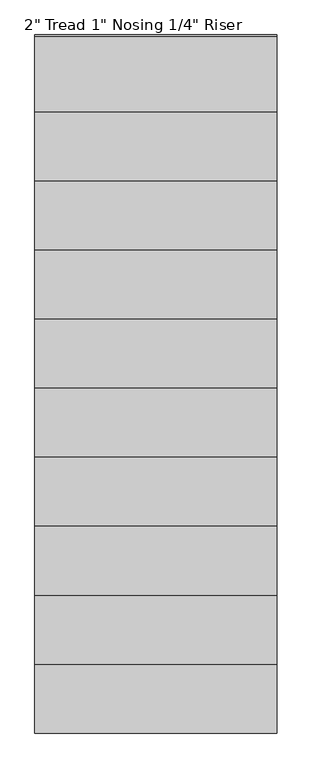
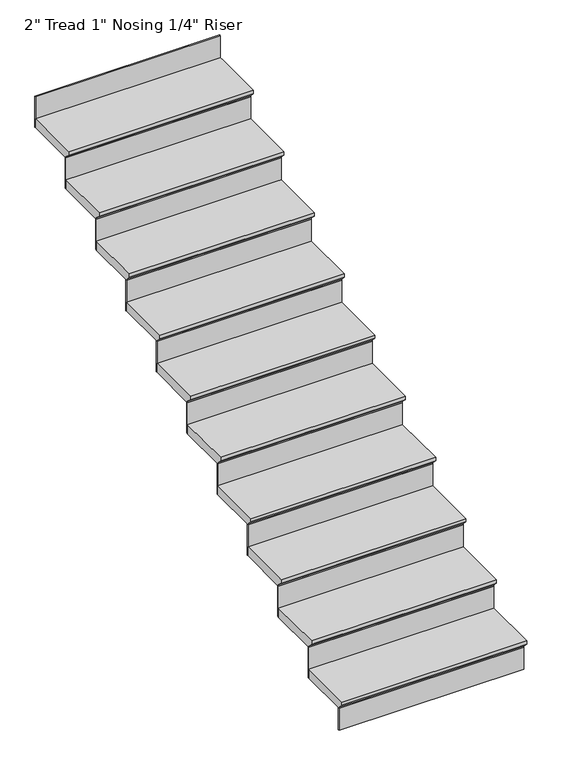
"""IFC4 building model written with IfcOpenShell, lengths in millimetres: stair flight geometry."""

import ifcopenshell
import ifcopenshell.guid

model = None  # the IFC model being written
_history = None  # IfcOwnerHistory: only IFC2X3 demands one
_inside = {}  # id of a spatial element -> (the spatial element, [elements in it])
_under = {}  # id of a project, library or spatial element -> (it, [spatial elements below it])
_declared = {}  # id of a project -> (the project, [libraries it declares])
_typed = {}  # id of a type object -> (the type object, [elements of that type])
_made_of = {}  # id of a material, layer set ... -> (it, [elements and type objects made of it])


def new_model(schema):
    """Start an empty IFC model of exactly this schema.

    Asked for "IFC4X3", IfcOpenShell would pick the latest addendum, in which some entities
    have other attributes; the version numbers below select the first issue.
    IFC2X3 requires an IfcOwnerHistory on every rooted entity: one is made here for all.
    """
    global model, _history
    if schema == "IFC4X3":
        model = ifcopenshell.file(schema_version=(4, 3, 0, 0))
    else:
        model = ifcopenshell.file(schema=schema)
    _inside.clear()
    _under.clear()
    _declared.clear()
    _typed.clear()
    _made_of.clear()
    _history = None
    if model.schema == "IFC2X3":
        org = make("IfcOrganization", Name="unknown")
        user = make(
            "IfcPersonAndOrganization",
            ThePerson=make("IfcPerson", FamilyName="unknown"),
            TheOrganization=org,
        )
        app = make(
            "IfcApplication",
            ApplicationDeveloper=org,
            Version="unknown",
            ApplicationFullName="unknown",
            ApplicationIdentifier="unknown",
        )
        _history = make(
            "IfcOwnerHistory",
            OwningUser=user,
            OwningApplication=app,
            ChangeAction="ADDED",
            CreationDate=0,
        )
    return model


def make(cls, **values):
    """One entity of the class cls with the attributes given. An attribute that is None is left unset."""
    return model.create_entity(
        cls, **{name: value for name, value in values.items() if value is not None}
    )


def rooted(cls, **values):
    """An entity with a GlobalId (a new one), such as an element, a storey or a relation."""
    return make(cls, GlobalId=ifcopenshell.guid.new(), OwnerHistory=_history, **values)


def si_unit(unit_type, name, prefix=None):
    """IfcSIUnit, for example si_unit("LENGTHUNIT", "METRE", prefix="MILLI")."""
    return make("IfcSIUnit", UnitType=unit_type, Prefix=prefix, Name=name)


def assignment(units):
    """IfcUnitAssignment: the units of a project."""
    return None if units is None else make("IfcUnitAssignment", Units=units)


def point(xyz):
    """IfcCartesianPoint."""
    return None if xyz is None else make("IfcCartesianPoint", Coordinates=xyz)


def direction(xyz):
    """IfcDirection."""
    return None if xyz is None else make("IfcDirection", DirectionRatios=xyz)


def frame(location, z_axis=None, x_axis=None):
    """IfcAxis2Placement3D, a coordinate frame: its origin and axes. An axis left out is left unset."""
    return make(
        "IfcAxis2Placement3D",
        Location=point(location),
        Axis=direction(z_axis),
        RefDirection=direction(x_axis),
    )


def origin():
    """The frame at (0, 0, 0) with its axes left unset."""
    return frame((0.0, 0.0, 0.0))


def place(relative_to, where):
    """IfcLocalPlacement: puts the frame where relative to a parent placement (None: the world)."""
    return make(
        "IfcLocalPlacement", PlacementRelTo=relative_to, RelativePlacement=where
    )


def context(
    kind, dimensions, precision=None, world=None, true_north=None, identifier=None
):
    """IfcGeometricRepresentationContext, for example the 3D "Model" context."""
    return make(
        "IfcGeometricRepresentationContext",
        ContextIdentifier=identifier,
        ContextType=kind,
        CoordinateSpaceDimension=dimensions,
        Precision=precision,
        WorldCoordinateSystem=world,
        TrueNorth=true_north,
    )


def project(units=None, contexts=None):
    """IfcProject with its units and contexts."""
    return rooted(
        "IfcProject",
        Name="project",
        RepresentationContexts=contexts,
        UnitsInContext=assignment(units),
    )


def spatial(cls, under=None, at=None, **own):
    """A site, building, storey or space (cls), placed at a placement, below another one or the project."""
    s = rooted(cls, ObjectPlacement=at, **own)
    if under is not None:
        _under.setdefault(under.id(), (under, []))[1].append(s)
    return s


def faces_of(points, faces, orient=None, outer=None):
    """IfcFace entities. A face is a list of loops; a loop is a list of indices into points, from 0.

    orient and outer hold one flag for each loop. By default every Orientation is true, the
    first loop of a face is its IfcFaceOuterBound and the others are IfcFaceBound.
    """
    made = []
    for i, loops in enumerate(faces):
        bounds = []
        for j, loop in enumerate(loops):
            is_outer = j == 0 if outer is None else outer[i][j]
            bounds.append(
                make(
                    "IfcFaceOuterBound" if is_outer else "IfcFaceBound",
                    Bound=make("IfcPolyLoop", Polygon=[points[k] for k in loop]),
                    Orientation=True if orient is None else orient[i][j],
                )
            )
        made.append(make("IfcFace", Bounds=bounds))
    return made


def faceted_brep(points, faces, orient=None, outer=None, voids=None):
    """IfcFacetedBrep: a solid bounded by flat faces; with voids (closed shells), ...WithVoids."""
    shared = [point(p) for p in points]
    hull = make("IfcClosedShell", CfsFaces=faces_of(shared, faces, orient, outer))
    if voids is None:
        return make("IfcFacetedBrep", Outer=hull)
    return make(
        "IfcFacetedBrepWithVoids",
        Outer=hull,
        Voids=[
            make(cls, CfsFaces=faces_of(shared, fs, o, b)) for cls, fs, o, b in voids
        ],
    )


def shape(context_of_items, identifier, shape_type, items):
    """IfcShapeRepresentation: the items that make up one representation, for example the "Body"."""
    return make(
        "IfcShapeRepresentation",
        ContextOfItems=context_of_items,
        RepresentationIdentifier=identifier,
        RepresentationType=shape_type,
        Items=items,
    )


def source(mapping_origin, context_of_items, identifier, shape_type, items):
    """IfcRepresentationMap: a shape defined once, which mapped items show again and again."""
    return make(
        "IfcRepresentationMap",
        MappingOrigin=mapping_origin,
        MappedRepresentation=shape(context_of_items, identifier, shape_type, items),
    )


def transform(
    local_origin,
    x_axis=None,
    y_axis=None,
    z_axis=None,
    scale=None,
    scale2=None,
    scale3=None,
    uniform=True,
):
    """IfcCartesianTransformationOperator3D, or its non-uniform kind. x_axis, y_axis, z_axis: its Axis1, 2, 3."""
    if uniform:
        return make(
            "IfcCartesianTransformationOperator3D",
            Axis1=direction(x_axis),
            Axis2=direction(y_axis),
            LocalOrigin=point(local_origin),
            Scale=scale,
            Axis3=direction(z_axis),
        )
    return make(
        "IfcCartesianTransformationOperator3DnonUniform",
        Axis1=direction(x_axis),
        Axis2=direction(y_axis),
        LocalOrigin=point(local_origin),
        Scale=scale,
        Axis3=direction(z_axis),
        Scale2=scale2,
        Scale3=scale3,
    )


def mapped(mapping_source, mapping_target):
    """IfcMappedItem: shows the shape of a source again, moved by a transform."""
    return make(
        "IfcMappedItem", MappingSource=mapping_source, MappingTarget=mapping_target
    )


def made_of(thing, what):
    """Note that an element or type object is made of a material, layer set ...; save() writes the relation."""
    if what is not None:
        _made_of.setdefault(what.id(), (what, []))[1].append(thing)
    return thing


def element(
    cls,
    number,
    at=None,
    inside=None,
    cuts=None,
    type_object=None,
    material=None,
    context=None,
    identifier="Body",
    shape_type=None,
    held_by="IfcProductDefinitionShape",
    body=None,
    shapes=None,
    **own,
):
    """One element of the class cls, such as IfcWall. Its Tag is "e" and its number.

    at: its placement. inside: the storey or other place that contains it. cuts: it is an
    opening in that element (IfcRelVoidsElement). A single representation is given by context,
    identifier, shape_type and body (its items); several are given by shapes. held_by: the class
    of the entity that holds the representations. save() writes the other relations.
    """
    e = rooted(cls, Tag="e%d" % number, ObjectPlacement=at, **own)
    if body is not None:
        shapes = [shape(context, identifier, shape_type, body)]
    if shapes is not None:
        e.Representation = make(held_by, Representations=shapes)
    if inside is not None:
        _inside.setdefault(inside.id(), (inside, []))[1].append(e)
    if cuts is not None:
        rooted(
            "IfcRelVoidsElement", RelatingBuildingElement=cuts, RelatedOpeningElement=e
        )
    if type_object is not None:
        _typed.setdefault(type_object.id(), (type_object, []))[1].append(e)
    return made_of(e, material)


def aggregate(whole, parts):
    """IfcRelAggregates: a whole, such as a stair, and the parts it consists of."""
    return rooted("IfcRelAggregates", RelatingObject=whole, RelatedObjects=parts)


def save(model, path):
    """Write the relations noted so far, then the file.

    IfcRelAggregates (storeys below a building ...), IfcRelContainedInSpatialStructure (elements
    in a storey), IfcRelDefinesByType, IfcRelAssociatesMaterial and IfcRelDeclares: one each for
    every whole, place, type object, material and project.
    """
    for whole, parts in _under.values():
        aggregate(whole, parts)
    for where, things in _inside.values():
        rooted(
            "IfcRelContainedInSpatialStructure",
            RelatedElements=things,
            RelatingStructure=where,
        )
    for kind, things in _typed.values():
        rooted("IfcRelDefinesByType", RelatedObjects=things, RelatingType=kind)
    for what, things in _made_of.values():
        rooted("IfcRelAssociatesMaterial", RelatedObjects=things, RelatingMaterial=what)
    for by, libraries in _declared.values():
        rooted("IfcRelDeclares", RelatingContext=by, RelatedDefinitions=libraries)
    model.write(path)


def stair_flight_2b243464(model_context):
    return source(origin(), model_context, "Body", "Brep", [
        faceted_brep([(7524.3171784, 2625.4460566, 39950.5714286), (8505.8069555, 2625.4460566, 39950.5714286), (8505.8069555, 2930.2460566, 39950.5714286), (7524.3171784, 2930.2460566, 39950.5714286), (7524.3171784, 2650.8460566, 39899.7714286), (7524.3171784, 2930.2460566, 39899.7714286), (8505.8069555, 2930.2460566, 39899.7714286), (8505.8069555, 2650.8460566, 39899.7714286), (7524.3171784, 2650.8460566, 39906.1214286), (7524.3171784, 2625.4460566, 39931.5214286), (8505.8069555, 2650.8460566, 39906.1214286), (8505.8069555, 2625.4460566, 39931.5214286)], [[[0, 1, 2, 3]], [[4, 5, 6, 7]], [[0, 3, 5, 4, 8, 9]], [[4, 7, 10, 8]], [[2, 1, 11, 10, 7, 6]], [[3, 2, 6, 5]], [[11, 1, 0, 9]], [[10, 11, 9, 8]]]),
        faceted_brep([(8505.8069555, 2650.8460566, 39899.7714286), (8505.8069555, 2650.8460566, 39776.4), (8505.8069555, 2657.1960566, 39776.4), (8505.8069555, 2657.1960566, 39899.7714286), (7524.3171784, 2650.8460566, 39899.7714286), (7524.3171784, 2657.1960566, 39899.7714286), (7524.3171784, 2657.1960566, 39776.4), (7524.3171784, 2650.8460566, 39776.4)], [[[0, 1, 2, 3]], [[4, 5, 6, 7]], [[1, 0, 4, 7]], [[2, 1, 7, 6]], [[3, 2, 6, 5]], [[0, 3, 5, 4]]]),
        faceted_brep([(7524.3171784, 2904.8460566, 40124.7428571), (8505.8069555, 2904.8460566, 40124.7428571), (8505.8069555, 3209.6460566, 40124.7428571), (7524.3171784, 3209.6460566, 40124.7428571), (7524.3171784, 2930.2460566, 40073.9428571), (7524.3171784, 3209.6460566, 40073.9428571), (8505.8069555, 3209.6460566, 40073.9428571), (8505.8069555, 2930.2460566, 40073.9428571), (7524.3171784, 2930.2460566, 40080.2928571), (7524.3171784, 2904.8460566, 40105.6928571), (8505.8069555, 2930.2460566, 40080.2928571), (8505.8069555, 2904.8460566, 40105.6928571)], [[[0, 1, 2, 3]], [[4, 5, 6, 7]], [[0, 3, 5, 4, 8, 9]], [[4, 7, 10, 8]], [[2, 1, 11, 10, 7, 6]], [[3, 2, 6, 5]], [[11, 1, 0, 9]], [[10, 11, 9, 8]]]),
        faceted_brep([(8505.8069555, 2930.2460566, 40073.9428571), (8505.8069555, 2930.2460566, 39899.7714286), (8505.8069555, 2936.5960566, 39899.7714286), (8505.8069555, 2936.5960566, 40073.9428571), (7524.3171784, 2930.2460566, 40073.9428571), (7524.3171784, 2936.5960566, 40073.9428571), (7524.3171784, 2936.5960566, 39899.7714286), (7524.3171784, 2930.2460566, 39899.7714286)], [[[0, 1, 2, 3]], [[4, 5, 6, 7]], [[1, 0, 4, 7]], [[2, 1, 7, 6]], [[3, 2, 6, 5]], [[0, 3, 5, 4]]]),
        faceted_brep([(7524.3171784, 3184.2460566, 40298.9142857), (8505.8069555, 3184.2460566, 40298.9142857), (8505.8069555, 3489.0460566, 40298.9142857), (7524.3171784, 3489.0460566, 40298.9142857), (7524.3171784, 3209.6460566, 40248.1142857), (7524.3171784, 3489.0460566, 40248.1142857), (8505.8069555, 3489.0460566, 40248.1142857), (8505.8069555, 3209.6460566, 40248.1142857), (7524.3171784, 3209.6460566, 40254.4642857), (7524.3171784, 3184.2460566, 40279.8642857), (8505.8069555, 3209.6460566, 40254.4642857), (8505.8069555, 3184.2460566, 40279.8642857)], [[[0, 1, 2, 3]], [[4, 5, 6, 7]], [[0, 3, 5, 4, 8, 9]], [[4, 7, 10, 8]], [[2, 1, 11, 10, 7, 6]], [[3, 2, 6, 5]], [[11, 1, 0, 9]], [[10, 11, 9, 8]]]),
        faceted_brep([(8505.8069555, 3209.6460566, 40248.1142857), (8505.8069555, 3209.6460566, 40073.9428571), (8505.8069555, 3215.9960566, 40073.9428571), (8505.8069555, 3215.9960566, 40248.1142857), (7524.3171784, 3209.6460566, 40248.1142857), (7524.3171784, 3215.9960566, 40248.1142857), (7524.3171784, 3215.9960566, 40073.9428571), (7524.3171784, 3209.6460566, 40073.9428571)], [[[0, 1, 2, 3]], [[4, 5, 6, 7]], [[1, 0, 4, 7]], [[2, 1, 7, 6]], [[3, 2, 6, 5]], [[0, 3, 5, 4]]]),
        faceted_brep([(7524.3171784, 3463.6460566, 40473.0857143), (8505.8069555, 3463.6460566, 40473.0857143), (8505.8069555, 3768.4460566, 40473.0857143), (7524.3171784, 3768.4460566, 40473.0857143), (7524.3171784, 3489.0460566, 40422.2857143), (7524.3171784, 3768.4460566, 40422.2857143), (8505.8069555, 3768.4460566, 40422.2857143), (8505.8069555, 3489.0460566, 40422.2857143), (7524.3171784, 3489.0460566, 40428.6357143), (7524.3171784, 3463.6460566, 40454.0357143), (8505.8069555, 3489.0460566, 40428.6357143), (8505.8069555, 3463.6460566, 40454.0357143)], [[[0, 1, 2, 3]], [[4, 5, 6, 7]], [[0, 3, 5, 4, 8, 9]], [[4, 7, 10, 8]], [[2, 1, 11, 10, 7, 6]], [[3, 2, 6, 5]], [[11, 1, 0, 9]], [[10, 11, 9, 8]]]),
        faceted_brep([(8505.8069555, 3489.0460566, 40422.2857143), (8505.8069555, 3489.0460566, 40248.1142857), (8505.8069555, 3495.3960566, 40248.1142857), (8505.8069555, 3495.3960566, 40422.2857143), (7524.3171784, 3489.0460566, 40422.2857143), (7524.3171784, 3495.3960566, 40422.2857143), (7524.3171784, 3495.3960566, 40248.1142857), (7524.3171784, 3489.0460566, 40248.1142857)], [[[0, 1, 2, 3]], [[4, 5, 6, 7]], [[1, 0, 4, 7]], [[2, 1, 7, 6]], [[3, 2, 6, 5]], [[0, 3, 5, 4]]]),
        faceted_brep([(7524.3171784, 3743.0460566, 40647.2571429), (8505.8069555, 3743.0460566, 40647.2571429), (8505.8069555, 4047.8460566, 40647.2571429), (7524.3171784, 4047.8460566, 40647.2571429), (7524.3171784, 3768.4460566, 40596.4571429), (7524.3171784, 4047.8460566, 40596.4571429), (8505.8069555, 4047.8460566, 40596.4571429), (8505.8069555, 3768.4460566, 40596.4571429), (7524.3171784, 3768.4460566, 40602.8071429), (7524.3171784, 3743.0460566, 40628.2071429), (8505.8069555, 3768.4460566, 40602.8071429), (8505.8069555, 3743.0460566, 40628.2071429)], [[[0, 1, 2, 3]], [[4, 5, 6, 7]], [[0, 3, 5, 4, 8, 9]], [[4, 7, 10, 8]], [[2, 1, 11, 10, 7, 6]], [[3, 2, 6, 5]], [[11, 1, 0, 9]], [[10, 11, 9, 8]]]),
        faceted_brep([(8505.8069555, 3768.4460566, 40596.4571429), (8505.8069555, 3768.4460566, 40422.2857143), (8505.8069555, 3774.7960566, 40422.2857143), (8505.8069555, 3774.7960566, 40596.4571429), (7524.3171784, 3768.4460566, 40596.4571429), (7524.3171784, 3774.7960566, 40596.4571429), (7524.3171784, 3774.7960566, 40422.2857143), (7524.3171784, 3768.4460566, 40422.2857143)], [[[0, 1, 2, 3]], [[4, 5, 6, 7]], [[1, 0, 4, 7]], [[2, 1, 7, 6]], [[3, 2, 6, 5]], [[0, 3, 5, 4]]]),
        faceted_brep([(7524.3171784, 4022.4460566, 40821.4285714), (8505.8069555, 4022.4460566, 40821.4285714), (8505.8069555, 4327.2460566, 40821.4285714), (7524.3171784, 4327.2460566, 40821.4285714), (7524.3171784, 4047.8460566, 40770.6285714), (7524.3171784, 4327.2460566, 40770.6285714), (8505.8069555, 4327.2460566, 40770.6285714), (8505.8069555, 4047.8460566, 40770.6285714), (7524.3171784, 4047.8460566, 40776.9785714), (7524.3171784, 4022.4460566, 40802.3785714), (8505.8069555, 4047.8460566, 40776.9785714), (8505.8069555, 4022.4460566, 40802.3785714)], [[[0, 1, 2, 3]], [[4, 5, 6, 7]], [[0, 3, 5, 4, 8, 9]], [[4, 7, 10, 8]], [[2, 1, 11, 10, 7, 6]], [[3, 2, 6, 5]], [[11, 1, 0, 9]], [[10, 11, 9, 8]]]),
        faceted_brep([(8505.8069555, 4047.8460566, 40770.6285714), (8505.8069555, 4047.8460566, 40596.4571429), (8505.8069555, 4054.1960566, 40596.4571429), (8505.8069555, 4054.1960566, 40770.6285714), (7524.3171784, 4047.8460566, 40770.6285714), (7524.3171784, 4054.1960566, 40770.6285714), (7524.3171784, 4054.1960566, 40596.4571429), (7524.3171784, 4047.8460566, 40596.4571429)], [[[0, 1, 2, 3]], [[4, 5, 6, 7]], [[1, 0, 4, 7]], [[2, 1, 7, 6]], [[3, 2, 6, 5]], [[0, 3, 5, 4]]]),
        faceted_brep([(7524.3171784, 4301.8460566, 40995.6), (8505.8069555, 4301.8460566, 40995.6), (8505.8069555, 4606.6460566, 40995.6), (7524.3171784, 4606.6460566, 40995.6), (7524.3171784, 4327.2460566, 40944.8), (7524.3171784, 4606.6460566, 40944.8), (8505.8069555, 4606.6460566, 40944.8), (8505.8069555, 4327.2460566, 40944.8), (7524.3171784, 4327.2460566, 40951.15), (7524.3171784, 4301.8460566, 40976.55), (8505.8069555, 4327.2460566, 40951.15), (8505.8069555, 4301.8460566, 40976.55)], [[[0, 1, 2, 3]], [[4, 5, 6, 7]], [[0, 3, 5, 4, 8, 9]], [[4, 7, 10, 8]], [[2, 1, 11, 10, 7, 6]], [[3, 2, 6, 5]], [[11, 1, 0, 9]], [[10, 11, 9, 8]]]),
        faceted_brep([(8505.8069555, 4327.2460566, 40944.8), (8505.8069555, 4327.2460566, 40770.6285714), (8505.8069555, 4333.5960566, 40770.6285714), (8505.8069555, 4333.5960566, 40944.8), (7524.3171784, 4327.2460566, 40944.8), (7524.3171784, 4333.5960566, 40944.8), (7524.3171784, 4333.5960566, 40770.6285714), (7524.3171784, 4327.2460566, 40770.6285714)], [[[0, 1, 2, 3]], [[4, 5, 6, 7]], [[1, 0, 4, 7]], [[2, 1, 7, 6]], [[3, 2, 6, 5]], [[0, 3, 5, 4]]]),
        faceted_brep([(7524.3171784, 4581.2460566, 41169.7714286), (8505.8069555, 4581.2460566, 41169.7714286), (8505.8069555, 4886.0460566, 41169.7714286), (7524.3171784, 4886.0460566, 41169.7714286), (7524.3171784, 4606.6460566, 41118.9714286), (7524.3171784, 4886.0460566, 41118.9714286), (8505.8069555, 4886.0460566, 41118.9714286), (8505.8069555, 4606.6460566, 41118.9714286), (7524.3171784, 4606.6460566, 41125.3214286), (7524.3171784, 4581.2460566, 41150.7214286), (8505.8069555, 4606.6460566, 41125.3214286), (8505.8069555, 4581.2460566, 41150.7214286)], [[[0, 1, 2, 3]], [[4, 5, 6, 7]], [[0, 3, 5, 4, 8, 9]], [[4, 7, 10, 8]], [[2, 1, 11, 10, 7, 6]], [[3, 2, 6, 5]], [[11, 1, 0, 9]], [[10, 11, 9, 8]]]),
        faceted_brep([(8505.8069555, 4606.6460566, 41118.9714286), (8505.8069555, 4606.6460566, 40944.8), (8505.8069555, 4612.9960566, 40944.8), (8505.8069555, 4612.9960566, 41118.9714286), (7524.3171784, 4606.6460566, 41118.9714286), (7524.3171784, 4612.9960566, 41118.9714286), (7524.3171784, 4612.9960566, 40944.8), (7524.3171784, 4606.6460566, 40944.8)], [[[0, 1, 2, 3]], [[4, 5, 6, 7]], [[1, 0, 4, 7]], [[2, 1, 7, 6]], [[3, 2, 6, 5]], [[0, 3, 5, 4]]]),
        faceted_brep([(7524.3171784, 4860.6460566, 41343.9428571), (8505.8069555, 4860.6460566, 41343.9428571), (8505.8069555, 5165.4460566, 41343.9428571), (7524.3171784, 5165.4460566, 41343.9428571), (7524.3171784, 4886.0460566, 41293.1428571), (7524.3171784, 5165.4460566, 41293.1428571), (8505.8069555, 5165.4460566, 41293.1428571), (8505.8069555, 4886.0460566, 41293.1428571), (7524.3171784, 4886.0460566, 41299.4928571), (7524.3171784, 4860.6460566, 41324.8928571), (8505.8069555, 4886.0460566, 41299.4928571), (8505.8069555, 4860.6460566, 41324.8928571)], [[[0, 1, 2, 3]], [[4, 5, 6, 7]], [[0, 3, 5, 4, 8, 9]], [[4, 7, 10, 8]], [[2, 1, 11, 10, 7, 6]], [[3, 2, 6, 5]], [[11, 1, 0, 9]], [[10, 11, 9, 8]]]),
        faceted_brep([(8505.8069555, 4886.0460566, 41293.1428571), (8505.8069555, 4886.0460566, 41118.9714286), (8505.8069555, 4892.3960566, 41118.9714286), (8505.8069555, 4892.3960566, 41293.1428571), (7524.3171784, 4886.0460566, 41293.1428571), (7524.3171784, 4892.3960566, 41293.1428571), (7524.3171784, 4892.3960566, 41118.9714286), (7524.3171784, 4886.0460566, 41118.9714286)], [[[0, 1, 2, 3]], [[4, 5, 6, 7]], [[1, 0, 4, 7]], [[2, 1, 7, 6]], [[3, 2, 6, 5]], [[0, 3, 5, 4]]]),
        faceted_brep([(7524.3171784, 5140.0460566, 41518.1142857), (8505.8069555, 5140.0460566, 41518.1142857), (8505.8069555, 5419.4460566, 41518.1142857), (8505.8069555, 5444.8460566, 41518.1142857), (7524.3171784, 5444.8460566, 41518.1142857), (7524.3171784, 5165.4460566, 41467.3142857), (7524.3171784, 5444.8460566, 41467.3142857), (8505.8069555, 5444.8460566, 41467.3142857), (8505.8069555, 5419.4460566, 41467.3142857), (8505.8069555, 5165.4460566, 41467.3142857), (7524.3171784, 5165.4460566, 41473.6642857), (7524.3171784, 5140.0460566, 41499.0642857), (8505.8069555, 5165.4460566, 41473.6642857), (8505.8069555, 5140.0460566, 41499.0642857)], [[[0, 1, 2, 3, 4]], [[5, 6, 7, 8, 9]], [[0, 4, 6, 5, 10, 11]], [[5, 9, 12, 10]], [[2, 1, 13, 12, 9, 8]], [[4, 3, 7, 6]], [[13, 1, 0, 11]], [[12, 13, 11, 10]], [[3, 2, 8, 7]]]),
        faceted_brep([(8505.8069555, 5165.4460566, 41467.3142857), (8505.8069555, 5165.4460566, 41293.1428571), (8505.8069555, 5171.7960566, 41293.1428571), (8505.8069555, 5171.7960566, 41467.3142857), (7524.3171784, 5165.4460566, 41467.3142857), (7524.3171784, 5171.7960566, 41467.3142857), (7524.3171784, 5171.7960566, 41293.1428571), (7524.3171784, 5165.4460566, 41293.1428571)], [[[0, 1, 2, 3]], [[4, 5, 6, 7]], [[1, 0, 4, 7]], [[2, 1, 7, 6]], [[3, 2, 6, 5]], [[0, 3, 5, 4]]]),
        faceted_brep([(8505.8069555, 5444.8460566, 41641.4857143), (8505.8069555, 5444.8460566, 41467.3142857), (8505.8069555, 5451.1960566, 41467.3142857), (8505.8069555, 5451.1960566, 41641.4857143), (7524.3171784, 5444.8460566, 41641.4857143), (7524.3171784, 5451.1960566, 41641.4857143), (7524.3171784, 5451.1960566, 41467.3142857), (7524.3171784, 5444.8460566, 41467.3142857)], [[[0, 1, 2, 3]], [[4, 5, 6, 7]], [[1, 0, 4, 7]], [[2, 1, 7, 6]], [[3, 2, 6, 5]], [[0, 3, 5, 4]]]),
    ])


if __name__ == "__main__":
    model = new_model("IFC4")
    model_context = context("Model", 3, world=origin())
    ifc_project = project(units=[si_unit("LENGTHUNIT", "METRE", prefix="MILLI")], contexts=[model_context])
    site = spatial("IfcSite", under=ifc_project)
    building = spatial("IfcBuilding", under=site)
    placement = place(None, origin())
    stair_flight_shape = stair_flight_2b243464(model_context)
    element("IfcStairFlight", 1, ObjectType="2\" Tread 1\" Nosing 1/4\" Riser", at=placement, inside=building, context=model_context, shape_type="MappedRepresentation", body=[
        mapped(stair_flight_shape, transform((0.0, 0.0, 0.0), x_axis=(1.0, 0.0, 0.0), y_axis=(0.0, 1.0, 0.0), z_axis=(0.0, 0.0, 1.0))),
    ])
    save(model, "model.ifc")
